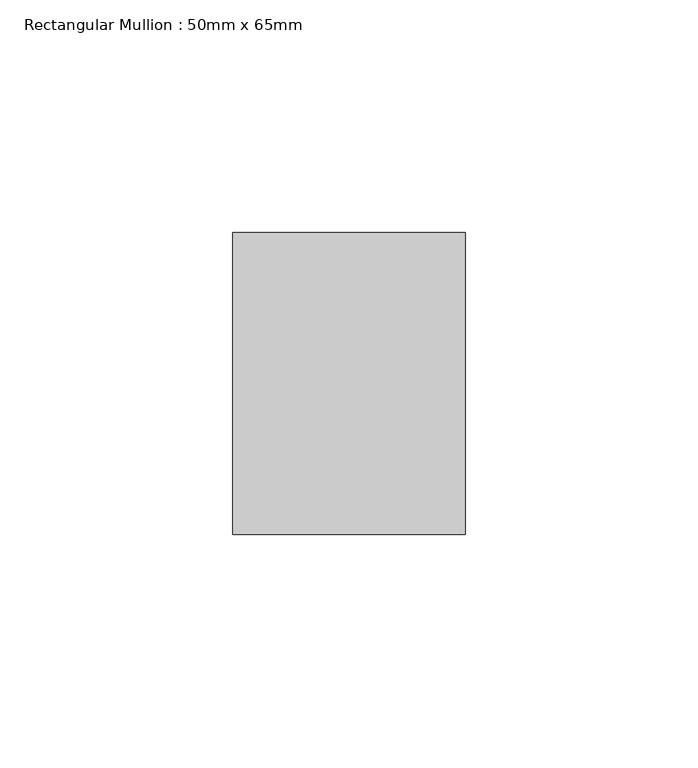
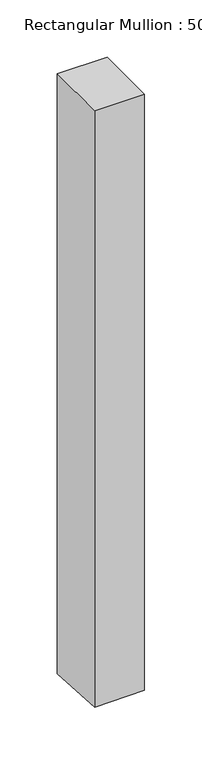
"""IFC4 building model written with IfcOpenShell, lengths in millimetres: member geometry, Rectangular Mullion : 50mm x 65mm."""

from ifc_helpers import new_model, si_unit, origin, place, context, project, spatial, faceted_brep, source, transform, mapped, element, save


def rectangular_mullion_50mm_x_65mm_cc9bbb61(model_context):
    return source(origin(), model_context, "Body", "Brep", [
        faceted_brep([(25.0, 32.5, 0.0), (-25.0, 32.5, 0.0), (-25.0, -32.5, 0.0), (25.0, -32.5, 0.0), (25.0, 32.5, -637.1634272), (-25.0, 32.5, -637.8254641), (-25.0, -32.5, -634.3652162), (25.0, -32.5, -633.7031793)], [[[0, 1, 2, 3]], [[1, 0, 4, 5]], [[2, 1, 5, 6]], [[3, 2, 6, 7]], [[0, 3, 7, 4]], [[4, 7, 6, 5]]]),
    ])


if __name__ == "__main__":
    model = new_model("IFC4")
    model_context = context("Model", 3, world=origin())
    ifc_project = project(units=[si_unit("LENGTHUNIT", "METRE", prefix="MILLI")], contexts=[model_context])
    site = spatial("IfcSite", under=ifc_project)
    building = spatial("IfcBuilding", under=site)
    placement = place(None, origin())
    rectangular_mullion_50mm_x_65mm_shape = rectangular_mullion_50mm_x_65mm_cc9bbb61(model_context)
    element("IfcMember", 1, ObjectType="Rectangular Mullion : 50mm x 65mm", at=placement, inside=building, context=model_context, shape_type="MappedRepresentation", body=[
        mapped(rectangular_mullion_50mm_x_65mm_shape, transform((0.0, 0.0, 0.0), x_axis=(1.0, 0.0, 0.0), y_axis=(0.0, 1.0, 0.0), z_axis=(0.0, 0.0, 1.0))),
    ])
    save(model, "model.ifc")
